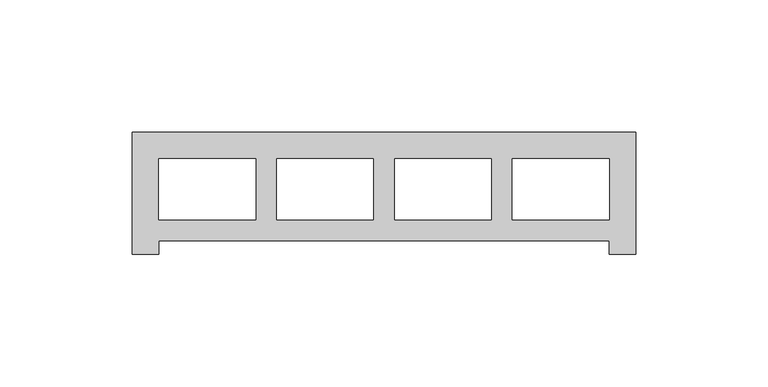
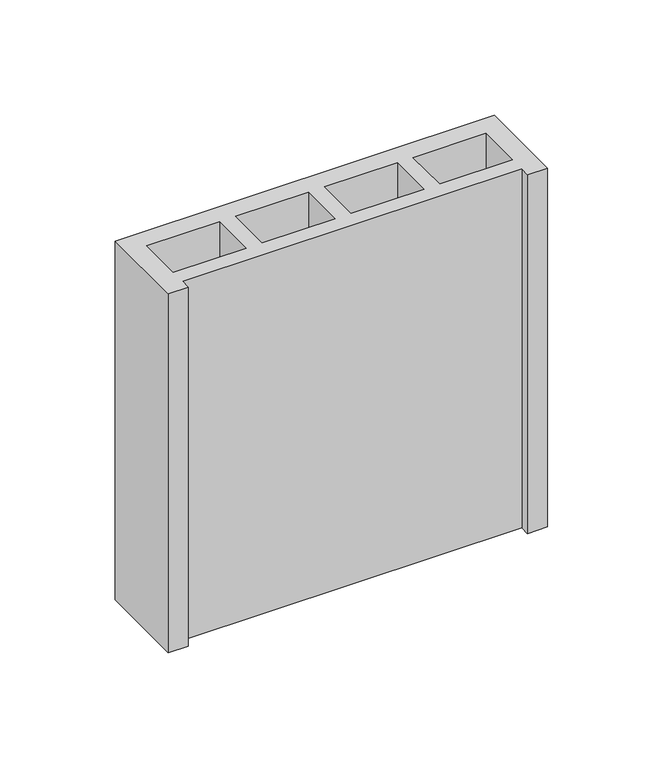
"""IFC4 building model written with IfcOpenShell, lengths in millimetres: proxy geometry."""

import ifcopenshell
import ifcopenshell.guid

model = None  # the IFC model being written
_history = None  # IfcOwnerHistory: only IFC2X3 demands one
_inside = {}  # id of a spatial element -> (the spatial element, [elements in it])
_under = {}  # id of a project, library or spatial element -> (it, [spatial elements below it])
_declared = {}  # id of a project -> (the project, [libraries it declares])
_typed = {}  # id of a type object -> (the type object, [elements of that type])
_made_of = {}  # id of a material, layer set ... -> (it, [elements and type objects made of it])


def new_model(schema):
    """Start an empty IFC model of exactly this schema.

    Asked for "IFC4X3", IfcOpenShell would pick the latest addendum, in which some entities
    have other attributes; the version numbers below select the first issue.
    IFC2X3 requires an IfcOwnerHistory on every rooted entity: one is made here for all.
    """
    global model, _history
    if schema == "IFC4X3":
        model = ifcopenshell.file(schema_version=(4, 3, 0, 0))
    else:
        model = ifcopenshell.file(schema=schema)
    _inside.clear()
    _under.clear()
    _declared.clear()
    _typed.clear()
    _made_of.clear()
    _history = None
    if model.schema == "IFC2X3":
        org = make("IfcOrganization", Name="unknown")
        user = make(
            "IfcPersonAndOrganization",
            ThePerson=make("IfcPerson", FamilyName="unknown"),
            TheOrganization=org,
        )
        app = make(
            "IfcApplication",
            ApplicationDeveloper=org,
            Version="unknown",
            ApplicationFullName="unknown",
            ApplicationIdentifier="unknown",
        )
        _history = make(
            "IfcOwnerHistory",
            OwningUser=user,
            OwningApplication=app,
            ChangeAction="ADDED",
            CreationDate=0,
        )
    return model


def make(cls, **values):
    """One entity of the class cls with the attributes given. An attribute that is None is left unset."""
    return model.create_entity(
        cls, **{name: value for name, value in values.items() if value is not None}
    )


def rooted(cls, **values):
    """An entity with a GlobalId (a new one), such as an element, a storey or a relation."""
    return make(cls, GlobalId=ifcopenshell.guid.new(), OwnerHistory=_history, **values)


def si_unit(unit_type, name, prefix=None):
    """IfcSIUnit, for example si_unit("LENGTHUNIT", "METRE", prefix="MILLI")."""
    return make("IfcSIUnit", UnitType=unit_type, Prefix=prefix, Name=name)


def assignment(units):
    """IfcUnitAssignment: the units of a project."""
    return None if units is None else make("IfcUnitAssignment", Units=units)


def point(xyz):
    """IfcCartesianPoint."""
    return None if xyz is None else make("IfcCartesianPoint", Coordinates=xyz)


def direction(xyz):
    """IfcDirection."""
    return None if xyz is None else make("IfcDirection", DirectionRatios=xyz)


def frame(location, z_axis=None, x_axis=None):
    """IfcAxis2Placement3D, a coordinate frame: its origin and axes. An axis left out is left unset."""
    return make(
        "IfcAxis2Placement3D",
        Location=point(location),
        Axis=direction(z_axis),
        RefDirection=direction(x_axis),
    )


def origin():
    """The frame at (0, 0, 0) with its axes left unset."""
    return frame((0.0, 0.0, 0.0))


def origin_with_axes():
    """The frame at (0, 0, 0) with the z axis (0, 0, 1) and the x axis (1, 0, 0) written out."""
    return frame((0.0, 0.0, 0.0), z_axis=(0.0, 0.0, 1.0), x_axis=(1.0, 0.0, 0.0))


def place(relative_to, where):
    """IfcLocalPlacement: puts the frame where relative to a parent placement (None: the world)."""
    return make(
        "IfcLocalPlacement", PlacementRelTo=relative_to, RelativePlacement=where
    )


def context(
    kind, dimensions, precision=None, world=None, true_north=None, identifier=None
):
    """IfcGeometricRepresentationContext, for example the 3D "Model" context."""
    return make(
        "IfcGeometricRepresentationContext",
        ContextIdentifier=identifier,
        ContextType=kind,
        CoordinateSpaceDimension=dimensions,
        Precision=precision,
        WorldCoordinateSystem=world,
        TrueNorth=true_north,
    )


def project(units=None, contexts=None):
    """IfcProject with its units and contexts."""
    return rooted(
        "IfcProject",
        Name="project",
        RepresentationContexts=contexts,
        UnitsInContext=assignment(units),
    )


def spatial(cls, under=None, at=None, **own):
    """A site, building, storey or space (cls), placed at a placement, below another one or the project."""
    s = rooted(cls, ObjectPlacement=at, **own)
    if under is not None:
        _under.setdefault(under.id(), (under, []))[1].append(s)
    return s


def polyline(points):
    """IfcPolyline through the points."""
    return make("IfcPolyline", Points=[point(p) for p in points])


def outline(outer, holes=None, kind="AREA"):
    """IfcArbitraryClosedProfileDef: a profile drawn as a closed curve; with holes, ...WithVoids."""
    if holes is None:
        return make("IfcArbitraryClosedProfileDef", ProfileType=kind, OuterCurve=outer)
    return make(
        "IfcArbitraryProfileDefWithVoids",
        ProfileType=kind,
        OuterCurve=outer,
        InnerCurves=holes,
    )


def extrude(swept, where, along, depth):
    """IfcExtrudedAreaSolid: the profile swept, set in the frame where, extruded along a direction by depth."""
    return make(
        "IfcExtrudedAreaSolid",
        SweptArea=swept,
        Position=where,
        ExtrudedDirection=direction(along),
        Depth=depth,
    )


def shape(context_of_items, identifier, shape_type, items):
    """IfcShapeRepresentation: the items that make up one representation, for example the "Body"."""
    return make(
        "IfcShapeRepresentation",
        ContextOfItems=context_of_items,
        RepresentationIdentifier=identifier,
        RepresentationType=shape_type,
        Items=items,
    )


def source(mapping_origin, context_of_items, identifier, shape_type, items):
    """IfcRepresentationMap: a shape defined once, which mapped items show again and again."""
    return make(
        "IfcRepresentationMap",
        MappingOrigin=mapping_origin,
        MappedRepresentation=shape(context_of_items, identifier, shape_type, items),
    )


def transform(
    local_origin,
    x_axis=None,
    y_axis=None,
    z_axis=None,
    scale=None,
    scale2=None,
    scale3=None,
    uniform=True,
):
    """IfcCartesianTransformationOperator3D, or its non-uniform kind. x_axis, y_axis, z_axis: its Axis1, 2, 3."""
    if uniform:
        return make(
            "IfcCartesianTransformationOperator3D",
            Axis1=direction(x_axis),
            Axis2=direction(y_axis),
            LocalOrigin=point(local_origin),
            Scale=scale,
            Axis3=direction(z_axis),
        )
    return make(
        "IfcCartesianTransformationOperator3DnonUniform",
        Axis1=direction(x_axis),
        Axis2=direction(y_axis),
        LocalOrigin=point(local_origin),
        Scale=scale,
        Axis3=direction(z_axis),
        Scale2=scale2,
        Scale3=scale3,
    )


def mapped(mapping_source, mapping_target):
    """IfcMappedItem: shows the shape of a source again, moved by a transform."""
    return make(
        "IfcMappedItem", MappingSource=mapping_source, MappingTarget=mapping_target
    )


def made_of(thing, what):
    """Note that an element or type object is made of a material, layer set ...; save() writes the relation."""
    if what is not None:
        _made_of.setdefault(what.id(), (what, []))[1].append(thing)
    return thing


def element(
    cls,
    number,
    at=None,
    inside=None,
    cuts=None,
    type_object=None,
    material=None,
    context=None,
    identifier="Body",
    shape_type=None,
    held_by="IfcProductDefinitionShape",
    body=None,
    shapes=None,
    **own,
):
    """One element of the class cls, such as IfcWall. Its Tag is "e" and its number.

    at: its placement. inside: the storey or other place that contains it. cuts: it is an
    opening in that element (IfcRelVoidsElement). A single representation is given by context,
    identifier, shape_type and body (its items); several are given by shapes. held_by: the class
    of the entity that holds the representations. save() writes the other relations.
    """
    e = rooted(cls, Tag="e%d" % number, ObjectPlacement=at, **own)
    if body is not None:
        shapes = [shape(context, identifier, shape_type, body)]
    if shapes is not None:
        e.Representation = make(held_by, Representations=shapes)
    if inside is not None:
        _inside.setdefault(inside.id(), (inside, []))[1].append(e)
    if cuts is not None:
        rooted(
            "IfcRelVoidsElement", RelatingBuildingElement=cuts, RelatedOpeningElement=e
        )
    if type_object is not None:
        _typed.setdefault(type_object.id(), (type_object, []))[1].append(e)
    return made_of(e, material)


def aggregate(whole, parts):
    """IfcRelAggregates: a whole, such as a stair, and the parts it consists of."""
    return rooted("IfcRelAggregates", RelatingObject=whole, RelatedObjects=parts)


def save(model, path):
    """Write the relations noted so far, then the file.

    IfcRelAggregates (storeys below a building ...), IfcRelContainedInSpatialStructure (elements
    in a storey), IfcRelDefinesByType, IfcRelAssociatesMaterial and IfcRelDeclares: one each for
    every whole, place, type object, material and project.
    """
    for whole, parts in _under.values():
        aggregate(whole, parts)
    for where, things in _inside.values():
        rooted(
            "IfcRelContainedInSpatialStructure",
            RelatedElements=things,
            RelatingStructure=where,
        )
    for kind, things in _typed.values():
        rooted("IfcRelDefinesByType", RelatedObjects=things, RelatingType=kind)
    for what, things in _made_of.values():
        rooted("IfcRelAssociatesMaterial", RelatedObjects=things, RelatingMaterial=what)
    for by, libraries in _declared.values():
        rooted("IfcRelDeclares", RelatingContext=by, RelatedDefinitions=libraries)
    model.write(path)


def generic_models_7b0e5bc7(model_context):
    return source(origin(), model_context, "Body", "SweptSolid", [
        extrude(outline(polyline([(0.0, 46.0), (190.0, 46.0), (190.0, 0.0), (180.0, 0.0), (180.0, 5.0), (10.0, 5.0), (10.0, 0.0), (0.0, 0.0), (0.0, 46.0)]), holes=[polyline([(143.5, 36.0), (143.5, 13.0), (180.0, 13.0), (180.0, 36.0), (143.5, 36.0)]), polyline([(99.0, 36.0), (99.0, 13.0), (135.5, 13.0), (135.5, 36.0), (99.0, 36.0)]), polyline([(54.5, 36.0), (54.5, 13.0), (91.0, 13.0), (91.0, 36.0), (54.5, 36.0)]), polyline([(10.0, 36.0), (10.0, 13.0), (46.5, 13.0), (46.5, 36.0), (10.0, 36.0)])]), origin_with_axes(), (0.0, 0.0, 1.0), 190.0),
    ])


if __name__ == "__main__":
    model = new_model("IFC4")
    model_context = context("Model", 3, world=origin())
    ifc_project = project(units=[si_unit("LENGTHUNIT", "METRE", prefix="MILLI")], contexts=[model_context])
    site = spatial("IfcSite", under=ifc_project)
    building = spatial("IfcBuilding", under=site)
    placement = place(None, origin())
    generic_models_shape = generic_models_7b0e5bc7(model_context)
    element("IfcBuildingElementProxy", 1, Name="Generic Models", at=placement, inside=building, context=model_context, shape_type="MappedRepresentation", body=[
        mapped(generic_models_shape, transform((0.0, 0.0, 0.0), x_axis=(1.0, 0.0, 0.0), y_axis=(0.0, 1.0, 0.0), z_axis=(0.0, 0.0, 1.0))),
    ])
    save(model, "model.ifc")
